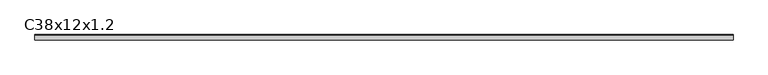
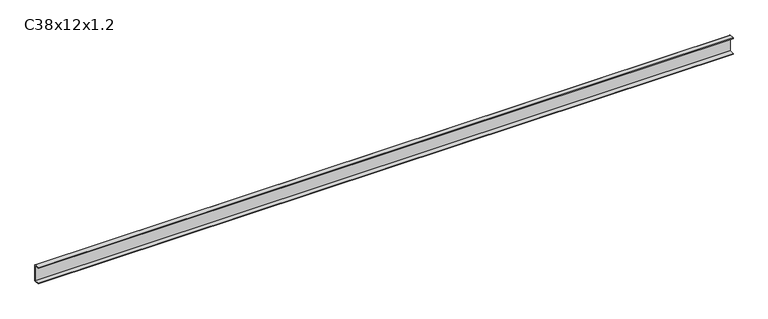
"""IFC4 building model written with IfcOpenShell, lengths in millimetres: proxy geometry, C38x12x1.2."""

import ifcopenshell
import ifcopenshell.guid

model = None  # the IFC model being written
_history = None  # IfcOwnerHistory: only IFC2X3 demands one
_inside = {}  # id of a spatial element -> (the spatial element, [elements in it])
_under = {}  # id of a project, library or spatial element -> (it, [spatial elements below it])
_declared = {}  # id of a project -> (the project, [libraries it declares])
_typed = {}  # id of a type object -> (the type object, [elements of that type])
_made_of = {}  # id of a material, layer set ... -> (it, [elements and type objects made of it])


def new_model(schema):
    """Start an empty IFC model of exactly this schema.

    Asked for "IFC4X3", IfcOpenShell would pick the latest addendum, in which some entities
    have other attributes; the version numbers below select the first issue.
    IFC2X3 requires an IfcOwnerHistory on every rooted entity: one is made here for all.
    """
    global model, _history
    if schema == "IFC4X3":
        model = ifcopenshell.file(schema_version=(4, 3, 0, 0))
    else:
        model = ifcopenshell.file(schema=schema)
    _inside.clear()
    _under.clear()
    _declared.clear()
    _typed.clear()
    _made_of.clear()
    _history = None
    if model.schema == "IFC2X3":
        org = make("IfcOrganization", Name="unknown")
        user = make(
            "IfcPersonAndOrganization",
            ThePerson=make("IfcPerson", FamilyName="unknown"),
            TheOrganization=org,
        )
        app = make(
            "IfcApplication",
            ApplicationDeveloper=org,
            Version="unknown",
            ApplicationFullName="unknown",
            ApplicationIdentifier="unknown",
        )
        _history = make(
            "IfcOwnerHistory",
            OwningUser=user,
            OwningApplication=app,
            ChangeAction="ADDED",
            CreationDate=0,
        )
    return model


def make(cls, **values):
    """One entity of the class cls with the attributes given. An attribute that is None is left unset."""
    return model.create_entity(
        cls, **{name: value for name, value in values.items() if value is not None}
    )


def rooted(cls, **values):
    """An entity with a GlobalId (a new one), such as an element, a storey or a relation."""
    return make(cls, GlobalId=ifcopenshell.guid.new(), OwnerHistory=_history, **values)


def si_unit(unit_type, name, prefix=None):
    """IfcSIUnit, for example si_unit("LENGTHUNIT", "METRE", prefix="MILLI")."""
    return make("IfcSIUnit", UnitType=unit_type, Prefix=prefix, Name=name)


def assignment(units):
    """IfcUnitAssignment: the units of a project."""
    return None if units is None else make("IfcUnitAssignment", Units=units)


def point(xyz):
    """IfcCartesianPoint."""
    return None if xyz is None else make("IfcCartesianPoint", Coordinates=xyz)


def direction(xyz):
    """IfcDirection."""
    return None if xyz is None else make("IfcDirection", DirectionRatios=xyz)


def frame(location, z_axis=None, x_axis=None):
    """IfcAxis2Placement3D, a coordinate frame: its origin and axes. An axis left out is left unset."""
    return make(
        "IfcAxis2Placement3D",
        Location=point(location),
        Axis=direction(z_axis),
        RefDirection=direction(x_axis),
    )


def frame_2d(location, x_axis=None):
    """IfcAxis2Placement2D, a coordinate frame in the plane: its origin and x axis."""
    return make(
        "IfcAxis2Placement2D", Location=point(location), RefDirection=direction(x_axis)
    )


def origin():
    """The frame at (0, 0, 0) with its axes left unset."""
    return frame((0.0, 0.0, 0.0))


def place(relative_to, where):
    """IfcLocalPlacement: puts the frame where relative to a parent placement (None: the world)."""
    return make(
        "IfcLocalPlacement", PlacementRelTo=relative_to, RelativePlacement=where
    )


def context(
    kind, dimensions, precision=None, world=None, true_north=None, identifier=None
):
    """IfcGeometricRepresentationContext, for example the 3D "Model" context."""
    return make(
        "IfcGeometricRepresentationContext",
        ContextIdentifier=identifier,
        ContextType=kind,
        CoordinateSpaceDimension=dimensions,
        Precision=precision,
        WorldCoordinateSystem=world,
        TrueNorth=true_north,
    )


def project(units=None, contexts=None):
    """IfcProject with its units and contexts."""
    return rooted(
        "IfcProject",
        Name="project",
        RepresentationContexts=contexts,
        UnitsInContext=assignment(units),
    )


def spatial(cls, under=None, at=None, **own):
    """A site, building, storey or space (cls), placed at a placement, below another one or the project."""
    s = rooted(cls, ObjectPlacement=at, **own)
    if under is not None:
        _under.setdefault(under.id(), (under, []))[1].append(s)
    return s


def polyline(points):
    """IfcPolyline through the points."""
    return make("IfcPolyline", Points=[point(p) for p in points])


def circle_curve(where, radius):
    """IfcCircle in the frame where."""
    return make("IfcCircle", Position=where, Radius=radius)


def trimmed(basis, trim1, trim2, sense, master):
    """IfcTrimmedCurve: the piece of a basis curve between two trims."""
    return make(
        "IfcTrimmedCurve",
        BasisCurve=basis,
        Trim1=trim1,
        Trim2=trim2,
        SenseAgreement=sense,
        MasterRepresentation=master,
    )


def segment(curve, same_sense, transition):
    """IfcCompositeCurveSegment."""
    return make(
        "IfcCompositeCurveSegment",
        Transition=transition,
        SameSense=same_sense,
        ParentCurve=curve,
    )


def composite_curve(segments, self_intersect=None):
    """IfcCompositeCurve: segments joined end to end."""
    return make("IfcCompositeCurve", Segments=segments, SelfIntersect=self_intersect)


def outline(outer, holes=None, kind="AREA"):
    """IfcArbitraryClosedProfileDef: a profile drawn as a closed curve; with holes, ...WithVoids."""
    if holes is None:
        return make("IfcArbitraryClosedProfileDef", ProfileType=kind, OuterCurve=outer)
    return make(
        "IfcArbitraryProfileDefWithVoids",
        ProfileType=kind,
        OuterCurve=outer,
        InnerCurves=holes,
    )


def extrude(swept, where, along, depth):
    """IfcExtrudedAreaSolid: the profile swept, set in the frame where, extruded along a direction by depth."""
    return make(
        "IfcExtrudedAreaSolid",
        SweptArea=swept,
        Position=where,
        ExtrudedDirection=direction(along),
        Depth=depth,
    )


def shape(context_of_items, identifier, shape_type, items):
    """IfcShapeRepresentation: the items that make up one representation, for example the "Body"."""
    return make(
        "IfcShapeRepresentation",
        ContextOfItems=context_of_items,
        RepresentationIdentifier=identifier,
        RepresentationType=shape_type,
        Items=items,
    )


def source(mapping_origin, context_of_items, identifier, shape_type, items):
    """IfcRepresentationMap: a shape defined once, which mapped items show again and again."""
    return make(
        "IfcRepresentationMap",
        MappingOrigin=mapping_origin,
        MappedRepresentation=shape(context_of_items, identifier, shape_type, items),
    )


def transform(
    local_origin,
    x_axis=None,
    y_axis=None,
    z_axis=None,
    scale=None,
    scale2=None,
    scale3=None,
    uniform=True,
):
    """IfcCartesianTransformationOperator3D, or its non-uniform kind. x_axis, y_axis, z_axis: its Axis1, 2, 3."""
    if uniform:
        return make(
            "IfcCartesianTransformationOperator3D",
            Axis1=direction(x_axis),
            Axis2=direction(y_axis),
            LocalOrigin=point(local_origin),
            Scale=scale,
            Axis3=direction(z_axis),
        )
    return make(
        "IfcCartesianTransformationOperator3DnonUniform",
        Axis1=direction(x_axis),
        Axis2=direction(y_axis),
        LocalOrigin=point(local_origin),
        Scale=scale,
        Axis3=direction(z_axis),
        Scale2=scale2,
        Scale3=scale3,
    )


def mapped(mapping_source, mapping_target):
    """IfcMappedItem: shows the shape of a source again, moved by a transform."""
    return make(
        "IfcMappedItem", MappingSource=mapping_source, MappingTarget=mapping_target
    )


def made_of(thing, what):
    """Note that an element or type object is made of a material, layer set ...; save() writes the relation."""
    if what is not None:
        _made_of.setdefault(what.id(), (what, []))[1].append(thing)
    return thing


def element(
    cls,
    number,
    at=None,
    inside=None,
    cuts=None,
    type_object=None,
    material=None,
    context=None,
    identifier="Body",
    shape_type=None,
    held_by="IfcProductDefinitionShape",
    body=None,
    shapes=None,
    **own,
):
    """One element of the class cls, such as IfcWall. Its Tag is "e" and its number.

    at: its placement. inside: the storey or other place that contains it. cuts: it is an
    opening in that element (IfcRelVoidsElement). A single representation is given by context,
    identifier, shape_type and body (its items); several are given by shapes. held_by: the class
    of the entity that holds the representations. save() writes the other relations.
    """
    e = rooted(cls, Tag="e%d" % number, ObjectPlacement=at, **own)
    if body is not None:
        shapes = [shape(context, identifier, shape_type, body)]
    if shapes is not None:
        e.Representation = make(held_by, Representations=shapes)
    if inside is not None:
        _inside.setdefault(inside.id(), (inside, []))[1].append(e)
    if cuts is not None:
        rooted(
            "IfcRelVoidsElement", RelatingBuildingElement=cuts, RelatedOpeningElement=e
        )
    if type_object is not None:
        _typed.setdefault(type_object.id(), (type_object, []))[1].append(e)
    return made_of(e, material)


def aggregate(whole, parts):
    """IfcRelAggregates: a whole, such as a stair, and the parts it consists of."""
    return rooted("IfcRelAggregates", RelatingObject=whole, RelatedObjects=parts)


def save(model, path):
    """Write the relations noted so far, then the file.

    IfcRelAggregates (storeys below a building ...), IfcRelContainedInSpatialStructure (elements
    in a storey), IfcRelDefinesByType, IfcRelAssociatesMaterial and IfcRelDeclares: one each for
    every whole, place, type object, material and project.
    """
    for whole, parts in _under.values():
        aggregate(whole, parts)
    for where, things in _inside.values():
        rooted(
            "IfcRelContainedInSpatialStructure",
            RelatedElements=things,
            RelatingStructure=where,
        )
    for kind, things in _typed.values():
        rooted("IfcRelDefinesByType", RelatedObjects=things, RelatingType=kind)
    for what, things in _made_of.values():
        rooted("IfcRelAssociatesMaterial", RelatedObjects=things, RelatingMaterial=what)
    for by, libraries in _declared.values():
        rooted("IfcRelDeclares", RelatingContext=by, RelatedDefinitions=libraries)
    model.write(path)


def c38x12x1_2_b927eecf(model_context):
    return source(origin(), model_context, "Body", "SweptSolid", [
        extrude(outline(composite_curve([segment(polyline([(-6.0, 36.8), (-6.0, 38.0), (4.8, 38.0)]), True, "CONTINUOUS"), segment(trimmed(circle_curve(frame_2d((4.8, 36.8)), 1.2), [point((4.8, 38.0))], [point((6.0, 36.8))], False, "CARTESIAN"), True, "CONTINUOUS"), segment(polyline([(6.0, 36.8), (6.0, 1.2)]), True, "CONTINUOUS"), segment(trimmed(circle_curve(frame_2d((4.8, 1.2)), 1.2), [point((6.0, 1.2))], [point((4.8, 0.0))], False, "CARTESIAN"), True, "CONTINUOUS"), segment(polyline([(4.8, 0.0), (-6.0, 0.0), (-6.0, 1.2), (4.8, 1.2), (4.8, 36.8), (-6.0, 36.8)]), True, "CONTINUOUS")], self_intersect=False)), frame((0.0, 0.0, 0.0), z_axis=(1.0, 0.0, 0.0), x_axis=(0.0, 1.0, 0.0)), (0.0, 0.0, 1.0), 1550.0),
    ])


if __name__ == "__main__":
    model = new_model("IFC4")
    model_context = context("Model", 3, world=origin())
    ifc_project = project(units=[si_unit("LENGTHUNIT", "METRE", prefix="MILLI")], contexts=[model_context])
    site = spatial("IfcSite", under=ifc_project)
    building = spatial("IfcBuilding", under=site)
    placement = place(None, origin())
    c38x12x1_2_shape = c38x12x1_2_b927eecf(model_context)
    element("IfcBuildingElementProxy", 1, Name="C38x12x1.2", ObjectType="C38x12x1.2", at=placement, inside=building, context=model_context, shape_type="MappedRepresentation", body=[
        mapped(c38x12x1_2_shape, transform((0.0, 0.0, 0.0), x_axis=(1.0, 0.0, 0.0), y_axis=(0.0, 1.0, 0.0), z_axis=(0.0, 0.0, 1.0))),
    ])
    save(model, "model.ifc")
